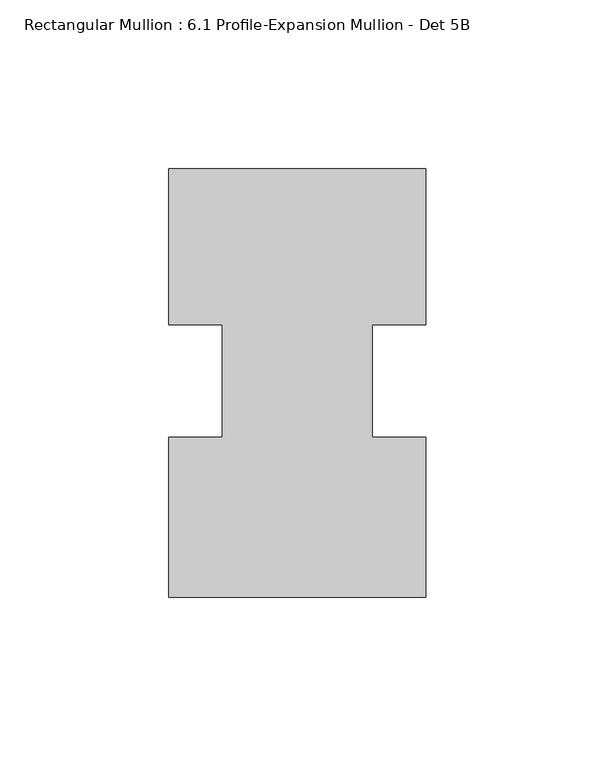
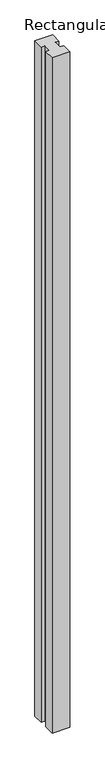
"""IFC4 building model written with IfcOpenShell, lengths in millimetres: member geometry, Rectangular Mullion : 6.1 Profile-Expansion Mullion - Det 5B."""

from ifc_helpers import new_model, si_unit, frame, origin, place, context, project, spatial, polyline, outline, extrude, source, transform, mapped, element, save


def rectangular_mullion_6_1_profile_expansion_mullion_det_5b_1595d901(model_context):
    return source(origin(), model_context, "Body", "SweptSolid", [
        extrude(outline(polyline([(0.0, -58.411345), (-76.1873, -58.411345), (-76.1873, -10.951445), (-60.3123, -10.951445), (-60.3123, 22.4073895), (-76.1746, 22.4073895), (-76.1746, 68.588655), (0.0, 68.588655), (0.0, 22.4073895), (-15.875, 22.4073895), (-15.875, -10.9519562), (0.0, -10.9519562), (0.0, -58.411345)])), frame((0.0, 0.0, -3048.0), z_axis=(0.0, 0.0, 1.0), x_axis=(1.0, 0.0, 0.0)), (0.0, 0.0, 1.0), 3048.0),
    ])


if __name__ == "__main__":
    model = new_model("IFC4")
    model_context = context("Model", 3, world=origin())
    ifc_project = project(units=[si_unit("LENGTHUNIT", "METRE", prefix="MILLI")], contexts=[model_context])
    site = spatial("IfcSite", under=ifc_project)
    building = spatial("IfcBuilding", under=site)
    placement = place(None, origin())
    rectangular_mullion_6_1_profile_expansion_mullion_det_5b_shape = rectangular_mullion_6_1_profile_expansion_mullion_det_5b_1595d901(model_context)
    element("IfcMember", 1, ObjectType="Rectangular Mullion : 6.1 Profile-Expansion Mullion - Det 5B", at=placement, inside=building, context=model_context, shape_type="MappedRepresentation", body=[
        mapped(rectangular_mullion_6_1_profile_expansion_mullion_det_5b_shape, transform((0.0, 0.0, 0.0), x_axis=(1.0, 0.0, 0.0), y_axis=(0.0, 1.0, 0.0), z_axis=(0.0, 0.0, 1.0))),
    ])
    save(model, "model.ifc")
